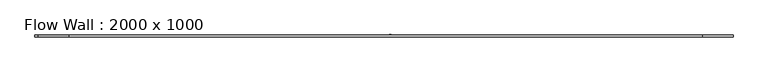
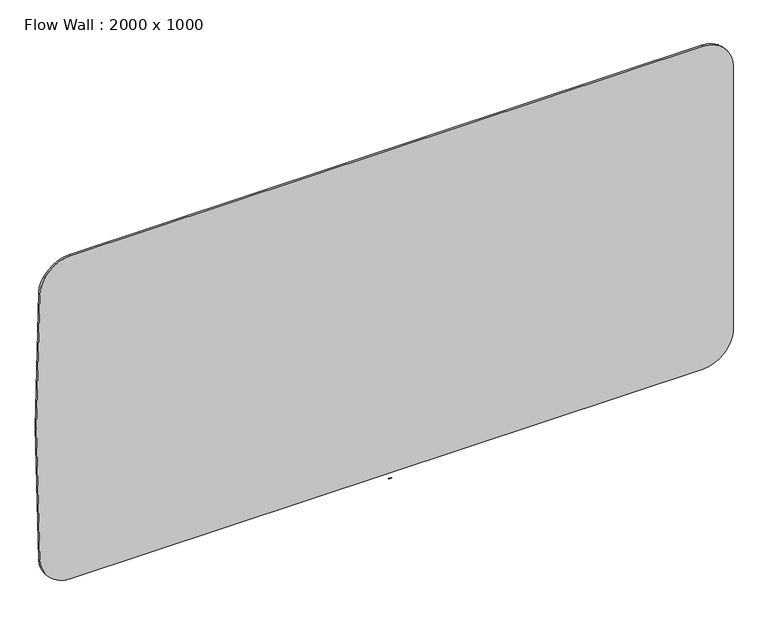
"""IFC4 building model written with IfcOpenShell, lengths in millimetres: furniture geometry, Flow Wall : 2000 x 1000."""

from ifc_helpers import new_model, si_unit, point, frame, frame_2d, origin, place, context, project, spatial, circle_curve, trimmed, segment, composite_curve, outline, extrude, source, transform, mapped, element, save


def flow_wall_2000_x_1000_9bcec067(model_context):
    return source(origin(), model_context, "Body", "SweptSolid", [
        extrude(outline(composite_curve([segment(trimmed(circle_curve(frame_2d((-28997.6504459, 0.0)), 30000.0), [point((988.7737468, 902.4212629))], [point((988.7737468, -902.4212629))], False, "CARTESIAN"), True, "CONTINUOUS"), segment(trimmed(circle_curve(frame_2d((898.8258784, -899.7251751)), 89.9882655), [point((988.7737468, -902.4212629))], [point((903.3388197, -989.6002066))], False, "CARTESIAN"), True, "CONTINUOUS"), segment(trimmed(circle_curve(frame_2d((501.1747771, 7000.2849041)), 8000.0), [point((903.3388197, -989.6002066))], [point((501.1747771, -999.7150959))], False, "CARTESIAN"), True, "CONTINUOUS"), segment(trimmed(circle_curve(frame_2d((501.1747771, 7000.2849041)), 8000.0), [point((501.1747771, -999.7150959))], [point((99.0107344, -989.6002066))], False, "CARTESIAN"), True, "CONTINUOUS"), segment(trimmed(circle_curve(frame_2d((103.5236757, -899.7251752)), 89.9882655), [point((99.0107344, -989.6002066))], [point((13.5758073, -902.4212629))], False, "CARTESIAN"), True, "CONTINUOUS"), segment(trimmed(circle_curve(frame_2d((30000.0, 0.0)), 30000.0), [point((13.5758073, -902.4212629))], [point((13.5758073, 902.4212629))], False, "CARTESIAN"), True, "CONTINUOUS"), segment(trimmed(circle_curve(frame_2d((103.5236757, 899.7251752)), 89.9882655), [point((13.5758073, 902.4212629))], [point((99.0107344, 989.6002066))], False, "CARTESIAN"), True, "CONTINUOUS"), segment(trimmed(circle_curve(frame_2d((501.1747771, -7000.2849041)), 8000.0), [point((99.0107344, 989.6002066))], [point((903.3388197, 989.6002066))], False, "CARTESIAN"), True, "CONTINUOUS"), segment(trimmed(circle_curve(frame_2d((898.8258784, 899.7251752)), 89.9882655), [point((903.3388197, 989.6002066))], [point((988.7737468, 902.4212629))], False, "CARTESIAN"), True, "CONTINUOUS")], self_intersect=False)), frame((0.0, -6.0, 0.0), z_axis=(0.0, 1.0, 0.0), x_axis=(0.0, 0.0, 1.0)), (0.0, 0.0, 1.0), 6.0),
        extrude(outline(composite_curve([segment(trimmed(circle_curve(frame_2d((17.8140378, -29.8743533)), 30.0), [point((16.9116166, 0.1120708))], [point((18.7164591, 0.1120708))], False, "CARTESIAN"), True, "CONTINUOUS"), segment(trimmed(circle_curve(frame_2d((18.713763, 0.022123)), 0.0899883), [point((18.7164591, 0.1120708))], [point((18.803638, 0.0266359))], False, "CARTESIAN"), True, "CONTINUOUS"), segment(trimmed(circle_curve(frame_2d((10.8137529, -0.3755281)), 8.0), [point((18.803638, 0.0266359))], [point((18.803638, -0.7776922))], False, "CARTESIAN"), True, "CONTINUOUS"), segment(trimmed(circle_curve(frame_2d((18.713763, -0.7731792)), 0.0899883), [point((18.803638, -0.7776922))], [point((18.7164591, -0.8631271))], False, "CARTESIAN"), True, "CONTINUOUS"), segment(trimmed(circle_curve(frame_2d((17.8140378, 29.1232971)), 30.0), [point((18.7164591, -0.8631271))], [point((16.9116166, -0.8631271))], False, "CARTESIAN"), True, "CONTINUOUS"), segment(trimmed(circle_curve(frame_2d((16.9143126, -0.7731792)), 0.0899883), [point((16.9116166, -0.8631271))], [point((16.8244376, -0.7776922))], False, "CARTESIAN"), True, "CONTINUOUS"), segment(trimmed(circle_curve(frame_2d((24.8143227, -0.3755281)), 8.0), [point((16.8244376, -0.7776922))], [point((16.8143227, -0.3755281))], False, "CARTESIAN"), True, "CONTINUOUS"), segment(trimmed(circle_curve(frame_2d((24.8143227, -0.3755281)), 8.0), [point((16.8143227, -0.3755281))], [point((16.8244376, 0.0266359))], False, "CARTESIAN"), True, "CONTINUOUS"), segment(trimmed(circle_curve(frame_2d((16.9143126, 0.022123)), 0.0899883), [point((16.8244376, 0.0266359))], [point((16.9116166, 0.1120708))], False, "CARTESIAN"), True, "CONTINUOUS")], self_intersect=False)), frame((0.0, 0.0, -7.4147222), z_axis=(0.0, 0.0, 1.0), x_axis=(1.0, 0.0, 0.0)), (0.0, 0.0, 1.0), 0.006),
        extrude(outline(composite_curve([segment(trimmed(circle_curve(frame_2d((14.8989791, -14.1960751)), 15.0), [point((14.2454051, 0.7896795))], [point((15.5525531, 0.7896795))], False, "CARTESIAN"), True, "CONTINUOUS"), segment(trimmed(circle_curve(frame_2d((15.5486316, 0.699765)), 0.09), [point((15.5525531, 0.7896795))], [point((15.6385171, 0.7043032))], False, "CARTESIAN"), True, "CONTINUOUS"), segment(trimmed(circle_curve(frame_2d((7.6486942, 0.3009066)), 8.0), [point((15.6385171, 0.7043032))], [point((15.6385171, -0.10249))], False, "CARTESIAN"), True, "CONTINUOUS"), segment(trimmed(circle_curve(frame_2d((15.5486316, -0.0979518)), 0.09), [point((15.6385171, -0.10249))], [point((15.5525531, -0.1878663))], False, "CARTESIAN"), True, "CONTINUOUS"), segment(trimmed(circle_curve(frame_2d((14.8989791, 14.7978883)), 15.0), [point((15.5525531, -0.1878663))], [point((14.2454051, -0.1878663))], False, "CARTESIAN"), True, "CONTINUOUS"), segment(trimmed(circle_curve(frame_2d((14.2493265, -0.0979518)), 0.09), [point((14.2454051, -0.1878663))], [point((14.159441, -0.10249))], False, "CARTESIAN"), True, "CONTINUOUS"), segment(trimmed(circle_curve(frame_2d((22.149264, 0.3009066)), 8.0), [point((14.159441, -0.10249))], [point((14.149264, 0.3009066))], False, "CARTESIAN"), True, "CONTINUOUS"), segment(trimmed(circle_curve(frame_2d((22.149264, 0.3009066)), 8.0), [point((14.149264, 0.3009066))], [point((14.159441, 0.7043032))], False, "CARTESIAN"), True, "CONTINUOUS"), segment(trimmed(circle_curve(frame_2d((14.2493265, 0.699765)), 0.09), [point((14.159441, 0.7043032))], [point((14.2454051, 0.7896795))], False, "CARTESIAN"), True, "CONTINUOUS")], self_intersect=False)), frame((0.0, 0.0, -7.4147222), z_axis=(0.0, 0.0, 1.0), x_axis=(1.0, 0.0, 0.0)), (0.0, 0.0, 1.0), 0.006),
        extrude(outline(composite_curve([segment(trimmed(circle_curve(frame_2d((13.2344979, -10.6292964)), 11.5), [point((12.7057204, 0.8585404))], [point((13.7632754, 0.8585404))], False, "CARTESIAN"), True, "CONTINUOUS"), segment(trimmed(circle_curve(frame_2d((13.7591372, 0.7686356)), 0.09), [point((13.7632754, 0.8585404))], [point((13.8490225, 0.7731768))], False, "CARTESIAN"), True, "CONTINUOUS"), segment(trimmed(circle_curve(frame_2d((5.859213, 0.369514)), 8.0), [point((13.8490225, 0.7731768))], [point((13.8490225, -0.0341489))], False, "CARTESIAN"), True, "CONTINUOUS"), segment(trimmed(circle_curve(frame_2d((13.7591372, -0.0296077)), 0.09), [point((13.8490225, -0.0341489))], [point((13.7632754, -0.1195125))], False, "CARTESIAN"), True, "CONTINUOUS"), segment(trimmed(circle_curve(frame_2d((13.2344979, 11.3683243)), 11.5), [point((13.7632754, -0.1195125))], [point((12.7057204, -0.1195125))], False, "CARTESIAN"), True, "CONTINUOUS"), segment(trimmed(circle_curve(frame_2d((12.7098586, -0.0296077)), 0.09), [point((12.7057204, -0.1195125))], [point((12.6199733, -0.0341489))], False, "CARTESIAN"), True, "CONTINUOUS"), segment(trimmed(circle_curve(frame_2d((20.6097828, 0.369514)), 8.0), [point((12.6199733, -0.0341489))], [point((12.6097828, 0.369514))], False, "CARTESIAN"), True, "CONTINUOUS"), segment(trimmed(circle_curve(frame_2d((20.6097828, 0.369514)), 8.0), [point((12.6097828, 0.369514))], [point((12.6199733, 0.7731768))], False, "CARTESIAN"), True, "CONTINUOUS"), segment(trimmed(circle_curve(frame_2d((12.7098586, 0.7686356)), 0.09), [point((12.6199733, 0.7731768))], [point((12.7057204, 0.8585404))], False, "CARTESIAN"), True, "CONTINUOUS")], self_intersect=False)), frame((0.0, 0.0, -7.4147222), z_axis=(0.0, 0.0, 1.0), x_axis=(1.0, 0.0, 0.0)), (0.0, 0.0, 1.0), 0.006),
        extrude(outline(composite_curve([segment(trimmed(circle_curve(frame_2d((11.880102, -7.1379444)), 8.0), [point((11.4759408, 0.85184))], [point((12.2842632, 0.85184))], False, "CARTESIAN"), True, "CONTINUOUS"), segment(trimmed(circle_curve(frame_2d((12.2797164, 0.7619549)), 0.09), [point((12.2842632, 0.85184))], [point((12.3696014, 0.7665017))], False, "CARTESIAN"), True, "CONTINUOUS"), segment(trimmed(circle_curve(frame_2d((4.3798171, 0.3623405)), 8.0), [point((12.3696014, 0.7665017))], [point((12.3696014, -0.0418206))], False, "CARTESIAN"), True, "CONTINUOUS"), segment(trimmed(circle_curve(frame_2d((12.2797164, -0.0372738)), 0.09), [point((12.3696014, -0.0418206))], [point((12.2842632, -0.1271589))], False, "CARTESIAN"), True, "CONTINUOUS"), segment(trimmed(circle_curve(frame_2d((11.880102, 7.8626254)), 8.0), [point((12.2842632, -0.1271589))], [point((11.4759408, -0.1271589))], False, "CARTESIAN"), True, "CONTINUOUS"), segment(trimmed(circle_curve(frame_2d((11.4804876, -0.0372738)), 0.09), [point((11.4759408, -0.1271589))], [point((11.3906026, -0.0418206))], False, "CARTESIAN"), True, "CONTINUOUS"), segment(trimmed(circle_curve(frame_2d((19.3803869, 0.3623405)), 8.0), [point((11.3906026, -0.0418206))], [point((11.3803869, 0.3623405))], False, "CARTESIAN"), True, "CONTINUOUS"), segment(trimmed(circle_curve(frame_2d((19.3803869, 0.3623405)), 8.0), [point((11.3803869, 0.3623405))], [point((11.3906026, 0.7665017))], False, "CARTESIAN"), True, "CONTINUOUS"), segment(trimmed(circle_curve(frame_2d((11.4804876, 0.7619549)), 0.09), [point((11.3906026, 0.7665017))], [point((11.4759408, 0.85184))], False, "CARTESIAN"), True, "CONTINUOUS")], self_intersect=False)), frame((0.0, 0.0, -7.4147222), z_axis=(0.0, 0.0, 1.0), x_axis=(1.0, 0.0, 0.0)), (0.0, 0.0, 1.0), 0.006),
        extrude(outline(composite_curve([segment(trimmed(circle_curve(frame_2d((10.7219096, -5.1332795)), 6.0), [point((10.4208166, 0.859161))], [point((11.0230025, 0.859161))], False, "CARTESIAN"), True, "CONTINUOUS"), segment(trimmed(circle_curve(frame_2d((11.0194898, 0.7892492)), 0.07), [point((11.0230025, 0.859161))], [point((11.0894016, 0.792762))], False, "CARTESIAN"), True, "CONTINUOUS"), segment(trimmed(circle_curve(frame_2d((5.0969611, 0.491669)), 6.0), [point((11.0894016, 0.792762))], [point((11.0894016, 0.1905761))], False, "CARTESIAN"), True, "CONTINUOUS"), segment(trimmed(circle_curve(frame_2d((11.0194898, 0.1940888)), 0.07), [point((11.0894016, 0.1905761))], [point((11.0230025, 0.124177))], False, "CARTESIAN"), True, "CONTINUOUS"), segment(trimmed(circle_curve(frame_2d((10.7219096, 6.1166175)), 6.0), [point((11.0230025, 0.124177))], [point((10.4208166, 0.124177))], False, "CARTESIAN"), True, "CONTINUOUS"), segment(trimmed(circle_curve(frame_2d((10.4243294, 0.1940888)), 0.07), [point((10.4208166, 0.124177))], [point((10.3544176, 0.1905761))], False, "CARTESIAN"), True, "CONTINUOUS"), segment(trimmed(circle_curve(frame_2d((16.346858, 0.491669)), 6.0), [point((10.3544176, 0.1905761))], [point((10.346858, 0.491669))], False, "CARTESIAN"), True, "CONTINUOUS"), segment(trimmed(circle_curve(frame_2d((16.346858, 0.491669)), 6.0), [point((10.346858, 0.491669))], [point((10.3544176, 0.792762))], False, "CARTESIAN"), True, "CONTINUOUS"), segment(trimmed(circle_curve(frame_2d((10.4243294, 0.7892492)), 0.07), [point((10.3544176, 0.792762))], [point((10.4208166, 0.859161))], False, "CARTESIAN"), True, "CONTINUOUS")], self_intersect=False)), frame((0.0, 0.0, -7.4147222), z_axis=(0.0, 0.0, 1.0), x_axis=(1.0, 0.0, 0.0)), (0.0, 0.0, 1.0), 0.006),
        extrude(outline(composite_curve([segment(trimmed(circle_curve(frame_2d((9.4837532, -3.2756697)), 4.0), [point((9.286245, 0.7194511))], [point((9.6812614, 0.7194511))], False, "CARTESIAN"), True, "CONTINUOUS"), segment(trimmed(circle_curve(frame_2d((9.6787926, 0.6695121)), 0.05), [point((9.6812614, 0.7194511))], [point((9.7287316, 0.6719809))], False, "CARTESIAN"), True, "CONTINUOUS"), segment(trimmed(circle_curve(frame_2d((5.7336107, 0.4744727)), 4.0), [point((9.7287316, 0.6719809))], [point((9.7287316, 0.2769645))], False, "CARTESIAN"), True, "CONTINUOUS"), segment(trimmed(circle_curve(frame_2d((9.6787926, 0.2794333)), 0.05), [point((9.7287316, 0.2769645))], [point((9.6812614, 0.2294943))], False, "CARTESIAN"), True, "CONTINUOUS"), segment(trimmed(circle_curve(frame_2d((9.4837532, 4.2246152)), 4.0), [point((9.6812614, 0.2294943))], [point((9.286245, 0.2294943))], False, "CARTESIAN"), True, "CONTINUOUS"), segment(trimmed(circle_curve(frame_2d((9.2887138, 0.2794333)), 0.05), [point((9.286245, 0.2294943))], [point((9.2387748, 0.2769645))], False, "CARTESIAN"), True, "CONTINUOUS"), segment(trimmed(circle_curve(frame_2d((13.2338956, 0.4744727)), 4.0), [point((9.2387748, 0.2769645))], [point((9.2338956, 0.4744727))], False, "CARTESIAN"), True, "CONTINUOUS"), segment(trimmed(circle_curve(frame_2d((13.2338956, 0.4744727)), 4.0), [point((9.2338956, 0.4744727))], [point((9.2387748, 0.6719809))], False, "CARTESIAN"), True, "CONTINUOUS"), segment(trimmed(circle_curve(frame_2d((9.2887138, 0.6695121)), 0.05), [point((9.2387748, 0.6719809))], [point((9.286245, 0.7194511))], False, "CARTESIAN"), True, "CONTINUOUS")], self_intersect=False)), frame((0.0, 0.0, -7.4147222), z_axis=(0.0, 0.0, 1.0), x_axis=(1.0, 0.0, 0.0)), (0.0, 0.0, 1.0), 0.006),
        extrude(outline(composite_curve([segment(trimmed(circle_curve(frame_2d((8.6540231, -2.2771172)), 2.7), [point((8.5348244, 0.4202503))], [point((8.7732217, 0.4202503))], False, "CARTESIAN"), True, "CONTINUOUS"), segment(trimmed(circle_curve(frame_2d((8.7718973, 0.3902796)), 0.03), [point((8.7732217, 0.4202503))], [point((8.8018681, 0.391604))], False, "CARTESIAN"), True, "CONTINUOUS"), segment(trimmed(circle_curve(frame_2d((6.1045005, 0.2724054)), 2.7), [point((8.8018681, 0.391604))], [point((8.8018681, 0.1532067))], False, "CARTESIAN"), True, "CONTINUOUS"), segment(trimmed(circle_curve(frame_2d((8.7718973, 0.1545311)), 0.03), [point((8.8018681, 0.1532067))], [point((8.7732217, 0.1245604))], False, "CARTESIAN"), True, "CONTINUOUS"), segment(trimmed(circle_curve(frame_2d((8.6540231, 2.8219279)), 2.7), [point((8.7732217, 0.1245604))], [point((8.5348244, 0.1245604))], False, "CARTESIAN"), True, "CONTINUOUS"), segment(trimmed(circle_curve(frame_2d((8.5361489, 0.1545311)), 0.03), [point((8.5348244, 0.1245604))], [point((8.5061781, 0.1532067))], False, "CARTESIAN"), True, "CONTINUOUS"), segment(trimmed(circle_curve(frame_2d((11.2035457, 0.2724054)), 2.7), [point((8.5061781, 0.1532067))], [point((8.5035457, 0.2724054))], False, "CARTESIAN"), True, "CONTINUOUS"), segment(trimmed(circle_curve(frame_2d((11.2035457, 0.2724054)), 2.7), [point((8.5035457, 0.2724054))], [point((8.5061781, 0.391604))], False, "CARTESIAN"), True, "CONTINUOUS"), segment(trimmed(circle_curve(frame_2d((8.5361489, 0.3902796)), 0.03), [point((8.5061781, 0.391604))], [point((8.5348244, 0.4202503))], False, "CARTESIAN"), True, "CONTINUOUS")], self_intersect=False)), frame((0.0, 0.0, -7.4147222), z_axis=(0.0, 0.0, 1.0), x_axis=(1.0, 0.0, 0.0)), (0.0, 0.0, 1.0), 0.006),
    ])


if __name__ == "__main__":
    model = new_model("IFC4")
    model_context = context("Model", 3, world=origin())
    ifc_project = project(units=[si_unit("LENGTHUNIT", "METRE", prefix="MILLI")], contexts=[model_context])
    site = spatial("IfcSite", under=ifc_project)
    building = spatial("IfcBuilding", under=site)
    placement = place(None, origin())
    flow_wall_2000_x_1000_shape = flow_wall_2000_x_1000_9bcec067(model_context)
    element("IfcFurniture", 1, ObjectType="Flow Wall : 2000 x 1000", at=placement, inside=building, context=model_context, shape_type="MappedRepresentation", body=[
        mapped(flow_wall_2000_x_1000_shape, transform((0.0, 0.0, 0.0), x_axis=(1.0, 0.0, 0.0), y_axis=(0.0, 1.0, 0.0), z_axis=(0.0, 0.0, 1.0))),
    ])
    save(model, "model.ifc")
